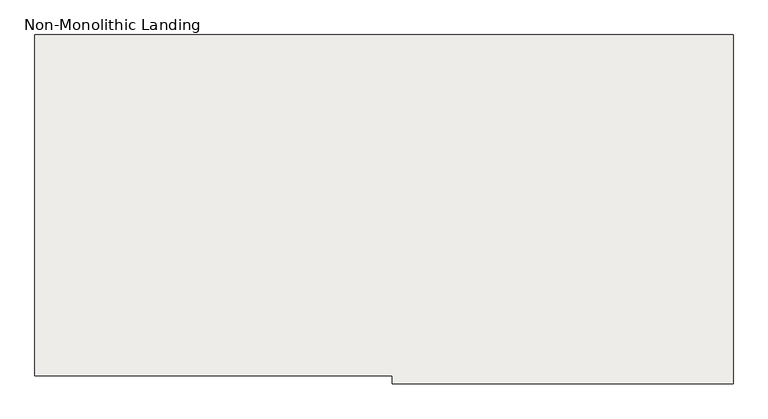
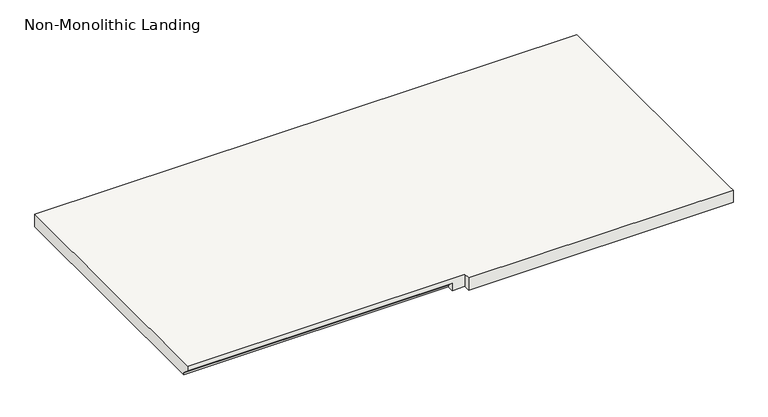
"""IFC4 building model written with IfcOpenShell, lengths in millimetres: slab geometry, Non-Monolithic Landing."""

from ifc_helpers import new_model, si_unit, origin, place, context, project, spatial, faceted_brep, source, transform, mapped, element, save


def non_monolithic_landing_1b9f87b4(model_context):
    return source(origin(), model_context, "Body", "Brep", [
        faceted_brep([(-1991.8415084, 3962.5768749, 1416.05), (-1991.8415084, 3987.9768749, 1390.65), (-950.4415084, 3987.9768749, 1390.65), (-950.4415084, 3962.5768749, 1416.05), (-899.6415084, 3962.5768749, 1435.1), (-899.6415084, 3937.1768749, 1435.1), (141.7584916, 3937.1768749, 1435.1), (141.7584916, 3962.5768749, 1435.1), (141.7584916, 5003.9768749, 1435.1), (-1991.8415084, 5003.9768749, 1435.1), (-1991.8415084, 3962.5768749, 1435.1), (-950.4415084, 3987.9768749, 1384.3), (-1991.8415084, 3987.9768749, 1384.3), (-1991.8415084, 5003.9768749, 1384.3), (141.7584916, 5003.9768749, 1384.3), (141.7584916, 3962.5768749, 1384.3), (141.7584916, 3937.1768749, 1384.3), (-899.6415084, 3937.1768749, 1384.3), (-899.6415084, 3962.5768749, 1384.3), (-950.4415084, 3962.5768749, 1384.3)], [[[0, 1, 2, 3]], [[4, 5, 6, 7, 8, 9, 10]], [[11, 12, 13, 14, 15, 16, 17, 18, 19]], [[12, 11, 2, 1]], [[11, 19, 3, 2]], [[4, 10, 0, 3, 19, 18]], [[5, 4, 18, 17]], [[6, 5, 17, 16]], [[7, 6, 16, 15]], [[8, 7, 15, 14]], [[9, 8, 14, 13]], [[10, 9, 13, 12, 1, 0]]]),
    ])


if __name__ == "__main__":
    model = new_model("IFC4")
    model_context = context("Model", 3, world=origin())
    ifc_project = project(units=[si_unit("LENGTHUNIT", "METRE", prefix="MILLI")], contexts=[model_context])
    site = spatial("IfcSite", under=ifc_project)
    building = spatial("IfcBuilding", under=site)
    placement = place(None, origin())
    non_monolithic_landing_shape = non_monolithic_landing_1b9f87b4(model_context)
    element("IfcSlab", 1, ObjectType="Non-Monolithic Landing", at=placement, inside=building, context=model_context, shape_type="MappedRepresentation", body=[
        mapped(non_monolithic_landing_shape, transform((0.0, 0.0, 0.0), x_axis=(1.0, 0.0, 0.0), y_axis=(0.0, 1.0, 0.0), z_axis=(0.0, 0.0, 1.0))),
    ])
    save(model, "model.ifc")
